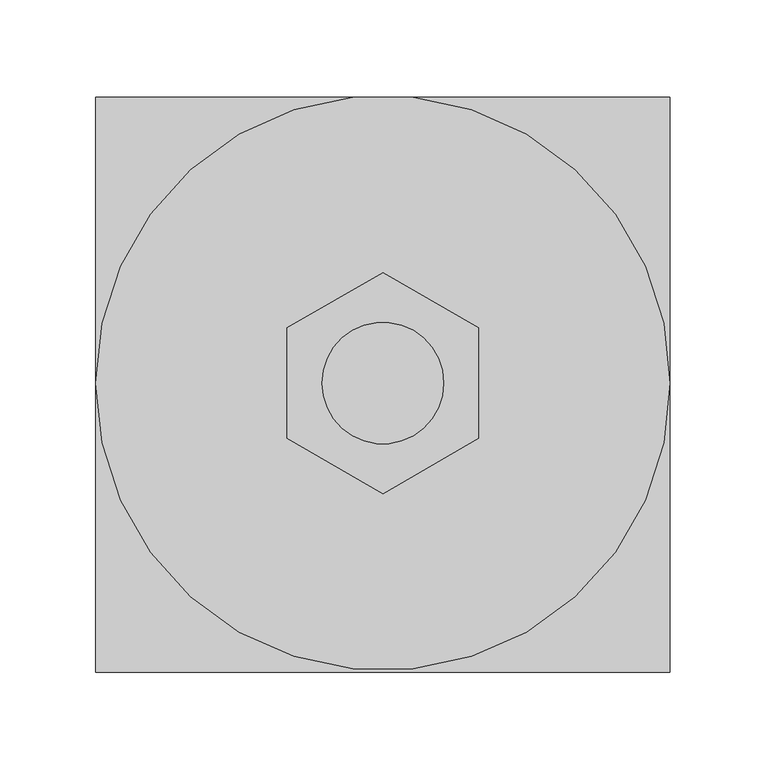
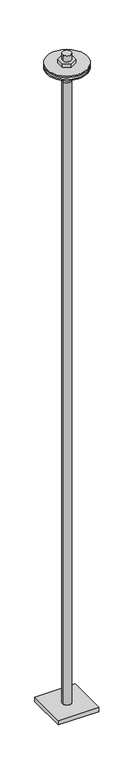
"""IFC4 building model written with IfcOpenShell, lengths in millimetres: fastener geometry."""

from ifc_helpers import new_model, si_unit, frame, origin, place, context, project, spatial, circle_curve, source, transform, mapped, element, save
from ifc_brep_helpers import plane_surface, cylinder_surface, advanced_brep


def fastener_4ee85f94(model_context):
    return source(origin(), model_context, "Body", "AdvancedBrep", [
        advanced_brep(
        [(-50.0, 28.8675135, 139.4), (-50.0, -28.8675135, 139.4), (0.0, -57.7350269, 139.4), (50.0, -28.8675135, 139.4), (50.0, 28.8675135, 139.4), (0.0, 57.7350269, 139.4), (31.75, 0.0, 139.4), (-31.75, 0.0, 139.4), (-50.0, 28.8675135, 110.0), (-50.0, -28.8675135, 110.0), (0.0, -57.7350269, 110.0), (50.0, -28.8675135, 110.0), (50.0, 28.8675135, 110.0), (0.0, 57.7350269, 110.0), (-31.75, 0.0, 185.0), (31.75, 0.0, 185.0), (-31.75, 0.0, 25.0), (-31.75, 0.0, -25.0), (31.75, 0.0, -25.0), (31.75, 0.0, 25.0), (-31.75, 0.0, 100.0), (-31.75, 0.0, 85.0), (31.75, 0.0, 85.0), (31.75, 0.0, 100.0), (-150.0, 0.0, 110.0), (150.0, 0.0, 110.0), (-150.0, 0.0, 100.0), (150.0, 0.0, 100.0), (-150.0, 0.0, 85.0), (150.0, 0.0, 85.0), (-150.0, 0.0, 75.0), (150.0, 0.0, 75.0), (-50.0, 28.8675135, 75.0), (-50.0, -28.8675135, 75.0), (0.0, -57.7350269, 75.0), (50.0, -28.8675135, 75.0), (50.0, 28.8675135, 75.0), (0.0, 57.7350269, 75.0), (-50.0, 28.8675135, 25.0), (0.0, 57.7350269, 25.0), (50.0, 28.8675135, 25.0), (50.0, -28.8675135, 25.0), (0.0, -57.7350269, 25.0), (-50.0, -28.8675135, 25.0), (-31.75, 0.0, -5000.0), (31.75, 0.0, -5000.0), (-31.75, 0.0, -4901.5), (31.75, 0.0, -4901.5), (31.75, 0.0, -4936.5), (-31.75, 0.0, -4936.5), (150.0, 150.0, -4901.5), (-150.0, 150.0, -4901.5), (-150.0, -150.0, -4901.5), (150.0, -150.0, -4901.5), (150.0, 150.0, -4936.5), (150.0, -150.0, -4936.5), (-150.0, -150.0, -4936.5), (-150.0, 150.0, -4936.5)],
        [
            (0, 1),
            (1, 2),
            (2, 3),
            (3, 4),
            (4, 5),
            (5, 0),
            (6, 7, circle_curve(frame((0.0, 0.0, 139.4), z_axis=(0.0, 0.0, -1.0), x_axis=(1.0, 0.0, 0.0)), 31.75)),
            (7, 6, circle_curve(frame((0.0, 0.0, 139.4), z_axis=(0.0, 0.0, -1.0), x_axis=(1.0, 0.0, 0.0)), 31.75)),
            (0, 8),
            (8, 9),
            (9, 1),
            (9, 10),
            (10, 2),
            (10, 11),
            (11, 3),
            (11, 12),
            (12, 4),
            (12, 13),
            (13, 5),
            (13, 8),
            (14, 15, circle_curve(frame((0.0, 0.0, 185.0), z_axis=(0.0, 0.0, 1.0), x_axis=(1.0, 0.0, 0.0)), 31.75)),
            (15, 14, circle_curve(frame((0.0, 0.0, 185.0), z_axis=(0.0, 0.0, 1.0), x_axis=(1.0, 0.0, 0.0)), 31.75)),
            (14, 7),
            (6, 15),
            (16, 17),
            (17, 18, circle_curve(frame((0.0, 0.0, -25.0), z_axis=(0.0, 0.0, 1.0), x_axis=(1.0, 0.0, 0.0)), 31.75)),
            (18, 19),
            (19, 16, circle_curve(frame((0.0, 0.0, 25.0), z_axis=(0.0, 0.0, -1.0), x_axis=(1.0, 0.0, 0.0)), 31.75)),
            (20, 21),
            (21, 22, circle_curve(frame((0.0, 0.0, 85.0), z_axis=(0.0, 0.0, 1.0), x_axis=(1.0, 0.0, 0.0)), 31.75)),
            (22, 23),
            (23, 20, circle_curve(frame((0.0, 0.0, 100.0), z_axis=(0.0, 0.0, -1.0), x_axis=(1.0, 0.0, 0.0)), 31.75)),
            (16, 19, circle_curve(frame((0.0, 0.0, 25.0), z_axis=(0.0, 0.0, -1.0), x_axis=(1.0, 0.0, 0.0)), 31.75)),
            (18, 17, circle_curve(frame((0.0, 0.0, -25.0), z_axis=(0.0, 0.0, 1.0), x_axis=(1.0, 0.0, 0.0)), 31.75)),
            (20, 23, circle_curve(frame((0.0, 0.0, 100.0), z_axis=(0.0, 0.0, -1.0), x_axis=(1.0, 0.0, 0.0)), 31.75)),
            (22, 21, circle_curve(frame((0.0, 0.0, 85.0), z_axis=(0.0, 0.0, 1.0), x_axis=(1.0, 0.0, 0.0)), 31.75)),
            (24, 25, circle_curve(frame((0.0, 0.0, 110.0), z_axis=(0.0, 0.0, 1.0), x_axis=(1.0, 0.0, 0.0)), 150.0)),
            (25, 24, circle_curve(frame((0.0, 0.0, 110.0), z_axis=(0.0, 0.0, 1.0), x_axis=(1.0, 0.0, 0.0)), 150.0)),
            (26, 27, circle_curve(frame((0.0, 0.0, 100.0), z_axis=(0.0, 0.0, -1.0), x_axis=(1.0, 0.0, 0.0)), 150.0)),
            (27, 26, circle_curve(frame((0.0, 0.0, 100.0), z_axis=(0.0, 0.0, -1.0), x_axis=(1.0, 0.0, 0.0)), 150.0)),
            (24, 26),
            (27, 25),
            (28, 29, circle_curve(frame((0.0, 0.0, 85.0), z_axis=(0.0, 0.0, 1.0), x_axis=(1.0, 0.0, 0.0)), 150.0)),
            (29, 28, circle_curve(frame((0.0, 0.0, 85.0), z_axis=(0.0, 0.0, 1.0), x_axis=(1.0, 0.0, 0.0)), 150.0)),
            (30, 31, circle_curve(frame((0.0, 0.0, 75.0), z_axis=(0.0, 0.0, -1.0), x_axis=(1.0, 0.0, 0.0)), 150.0)),
            (31, 30, circle_curve(frame((0.0, 0.0, 75.0), z_axis=(0.0, 0.0, -1.0), x_axis=(1.0, 0.0, 0.0)), 150.0)),
            (32, 33),
            (33, 34),
            (34, 35),
            (35, 36),
            (36, 37),
            (37, 32),
            (28, 30),
            (31, 29),
            (38, 39),
            (39, 40),
            (40, 41),
            (41, 42),
            (42, 43),
            (43, 38),
            (43, 33),
            (32, 38),
            (42, 34),
            (41, 35),
            (40, 36),
            (39, 37),
            (44, 45, circle_curve(frame((0.0, 0.0, -5000.0), z_axis=(0.0, 0.0, -1.0), x_axis=(1.0, 0.0, 0.0)), 31.75)),
            (45, 44, circle_curve(frame((0.0, 0.0, -5000.0), z_axis=(0.0, 0.0, -1.0), x_axis=(1.0, 0.0, 0.0)), 31.75)),
            (17, 46),
            (46, 47, circle_curve(frame((0.0, 0.0, -4901.5), z_axis=(0.0, 0.0, 1.0), x_axis=(1.0, 0.0, 0.0)), 31.75)),
            (47, 18),
            (45, 48),
            (48, 49, circle_curve(frame((0.0, 0.0, -4936.5), z_axis=(0.0, 0.0, -1.0), x_axis=(1.0, 0.0, 0.0)), 31.75)),
            (49, 44),
            (47, 46, circle_curve(frame((0.0, 0.0, -4901.5), z_axis=(0.0, 0.0, 1.0), x_axis=(1.0, 0.0, 0.0)), 31.75)),
            (49, 48, circle_curve(frame((0.0, 0.0, -4936.5), z_axis=(0.0, 0.0, -1.0), x_axis=(1.0, 0.0, 0.0)), 31.75)),
            (50, 51),
            (51, 52),
            (52, 53),
            (53, 50),
            (54, 55),
            (55, 56),
            (56, 57),
            (57, 54),
            (50, 54),
            (57, 51),
            (56, 52),
            (55, 53),
        ],
        [
            plane_surface(frame((-50.0, 28.8675135, 139.4), z_axis=(0.0, 0.0, 1.0), x_axis=(0.0, -1.0, 0.0))),
            plane_surface(frame((-50.0, 28.8675135, 139.4), z_axis=(-1.0, 0.0, 0.0), x_axis=(0.0, 0.0, -1.0))),
            plane_surface(frame((-50.0, -28.8675135, 139.4), z_axis=(-0.4999999999999994, -0.866025403784439, 0.0), x_axis=(0.0, 0.0, -1.0))),
            plane_surface(frame((0.0, -57.7350269, 139.4), z_axis=(0.5000000000000022, -0.8660254037844374, 0.0), x_axis=(0.0, 0.0, -1.0))),
            plane_surface(frame((50.0, -28.8675135, 139.4), z_axis=(1.0, 0.0, 0.0), x_axis=(0.0, 0.0, -1.0))),
            plane_surface(frame((50.0, 28.8675135, 139.4), z_axis=(0.49999999999999906, 0.8660254037844393, 0.0), x_axis=(0.0, 0.0, -1.0))),
            plane_surface(frame((0.0, 57.7350269, 139.4), z_axis=(-0.499999999999999, 0.8660254037844394, 0.0), x_axis=(0.0, 0.0, -1.0))),
            plane_surface(frame((31.75, 0.0, 185.0), z_axis=(0.0, 0.0, 1.0), x_axis=(0.0, 1.0, 0.0))),
            cylinder_surface(frame((0.0, 0.0, -25.0), z_axis=(0.0, 0.0, 1.0), x_axis=(1.0, 0.0, 0.0)), 31.75),
            plane_surface(frame((150.0, 0.0, 110.0), z_axis=(0.0, 0.0, 1.0), x_axis=(0.0, 1.0, 0.0))),
            plane_surface(frame((150.0, 0.0, 100.0), z_axis=(0.0, 0.0, -1.0), x_axis=(0.0, -1.0, 0.0))),
            cylinder_surface(frame((0.0, 0.0, 100.0), z_axis=(0.0, 0.0, 1.0), x_axis=(1.0, 0.0, 0.0)), 150.0),
            plane_surface(frame((150.0, 0.0, 85.0), z_axis=(0.0, 0.0, 1.0), x_axis=(0.0, 1.0, 0.0))),
            plane_surface(frame((150.0, 0.0, 75.0), z_axis=(0.0, 0.0, -1.0), x_axis=(0.0, -1.0, 0.0))),
            cylinder_surface(frame((0.0, 0.0, 75.0), z_axis=(0.0, 0.0, 1.0), x_axis=(1.0, 0.0, 0.0)), 150.0),
            plane_surface(frame((-50.0, 28.8675135, 25.0), z_axis=(0.0, 0.0, -1.0), x_axis=(0.0, 1.0, 0.0))),
            plane_surface(frame((-50.0, 28.8675135, 75.0), z_axis=(-1.0, 0.0, 0.0), x_axis=(0.0, 0.0, -1.0))),
            plane_surface(frame((-50.0, -28.8675135, 75.0), z_axis=(-0.49999999999999933, -0.866025403784439, 0.0), x_axis=(0.0, 0.0, -1.0))),
            plane_surface(frame((0.0, -57.7350269, 75.0), z_axis=(0.5000000000000023, -0.8660254037844374, 0.0), x_axis=(0.0, 0.0, -1.0))),
            plane_surface(frame((50.0, -28.8675135, 75.0), z_axis=(1.0, 0.0, 0.0), x_axis=(0.0, 0.0, -1.0))),
            plane_surface(frame((50.0, 28.8675135, 75.0), z_axis=(0.499999999999999, 0.8660254037844393, 0.0), x_axis=(0.0, 0.0, -1.0))),
            plane_surface(frame((0.0, 57.7350269, 75.0), z_axis=(-0.49999999999999906, 0.8660254037844393, 0.0), x_axis=(0.0, 0.0, -1.0))),
            plane_surface(frame((31.75, 0.0, -5000.0), z_axis=(0.0, 0.0, -1.0), x_axis=(0.0, -1.0, 0.0))),
            cylinder_surface(frame((0.0, 0.0, -5000.0), z_axis=(0.0, 0.0, 1.0), x_axis=(1.0, 0.0, 0.0)), 31.75),
            plane_surface(frame((-150.0, 150.0, -4901.5), z_axis=(0.0, 0.0, 1.0), x_axis=(-1.0, 0.0, 0.0))),
            plane_surface(frame((-150.0, 150.0, -4936.5), z_axis=(0.0, 0.0, -1.0), x_axis=(1.0, 0.0, 0.0))),
            plane_surface(frame((150.0, 150.0, -4901.5), z_axis=(0.0, 1.0, 0.0), x_axis=(0.0, 0.0, -1.0))),
            plane_surface(frame((-150.0, 150.0, -4901.5), z_axis=(-1.0, 0.0, 0.0), x_axis=(0.0, 0.0, -1.0))),
            plane_surface(frame((-150.0, -150.0, -4901.5), z_axis=(0.0, -1.0, 0.0), x_axis=(0.0, 0.0, -1.0))),
            plane_surface(frame((150.0, -150.0, -4901.5), z_axis=(1.0, 0.0, 0.0), x_axis=(0.0, 0.0, -1.0))),
        ],
        [
            (0, [[1, 2, 3, 4, 5, 6], [7, 8]]),
            (1, [[-1, 9, 10, 11]]),
            (2, [[-2, -11, 12, 13]]),
            (3, [[-3, -13, 14, 15]]),
            (4, [[-4, -15, 16, 17]]),
            (5, [[-5, -17, 18, 19]]),
            (6, [[-6, -19, 20, -9]]),
            (7, [[21, 22]]),
            (8, [[-21, 23, -7, 24]]),
            (8, [[25, 26, 27, 28]]),
            (8, [[29, 30, 31, 32]]),
            (8, [[-22, -24, -8, -23]]),
            (8, [[-25, 33, -27, 34]]),
            (8, [[-29, 35, -31, 36]]),
            (9, [[37, 38], [-10, -20, -18, -16, -14, -12]]),
            (10, [[39, 40], [-32, -35]]),
            (11, [[-37, 41, -40, 42]]),
            (11, [[-38, -42, -39, -41]]),
            (12, [[43, 44], [-30, -36]]),
            (13, [[45, 46], [47, 48, 49, 50, 51, 52]]),
            (14, [[-43, 53, -46, 54]]),
            (14, [[-44, -54, -45, -53]]),
            (15, [[55, 56, 57, 58, 59, 60], [-28, -33]]),
            (16, [[-60, 61, -47, 62]]),
            (17, [[-59, 63, -48, -61]]),
            (18, [[-58, 64, -49, -63]]),
            (19, [[-57, 65, -50, -64]]),
            (20, [[-56, 66, -51, -65]]),
            (21, [[-55, -62, -52, -66]]),
            (22, [[67, 68]]),
            (23, [[-26, 69, 70, 71]]),
            (23, [[-68, 72, 73, 74]]),
            (23, [[-34, -71, 75, -69]]),
            (23, [[-67, -74, 76, -72]]),
            (24, [[77, 78, 79, 80], [-70, -75]]),
            (25, [[81, 82, 83, 84], [-73, -76]]),
            (26, [[-77, 85, -84, 86]]),
            (27, [[-78, -86, -83, 87]]),
            (28, [[-79, -87, -82, 88]]),
            (29, [[-80, -88, -81, -85]]),
        ],
    ),
    ])


if __name__ == "__main__":
    model = new_model("IFC4")
    model_context = context("Model", 3, world=origin())
    ifc_project = project(units=[si_unit("LENGTHUNIT", "METRE", prefix="MILLI")], contexts=[model_context])
    site = spatial("IfcSite", under=ifc_project)
    building = spatial("IfcBuilding", under=site)
    placement = place(None, origin())
    fastener_shape = fastener_4ee85f94(model_context)
    element("IfcFastener", 1, at=placement, inside=building, context=model_context, shape_type="MappedRepresentation", body=[
        mapped(fastener_shape, transform((0.0, 0.0, 0.0), x_axis=(1.0, 0.0, 0.0), y_axis=(0.0, 1.0, 0.0), z_axis=(0.0, 0.0, 1.0))),
    ])
    save(model, "model.ifc")
